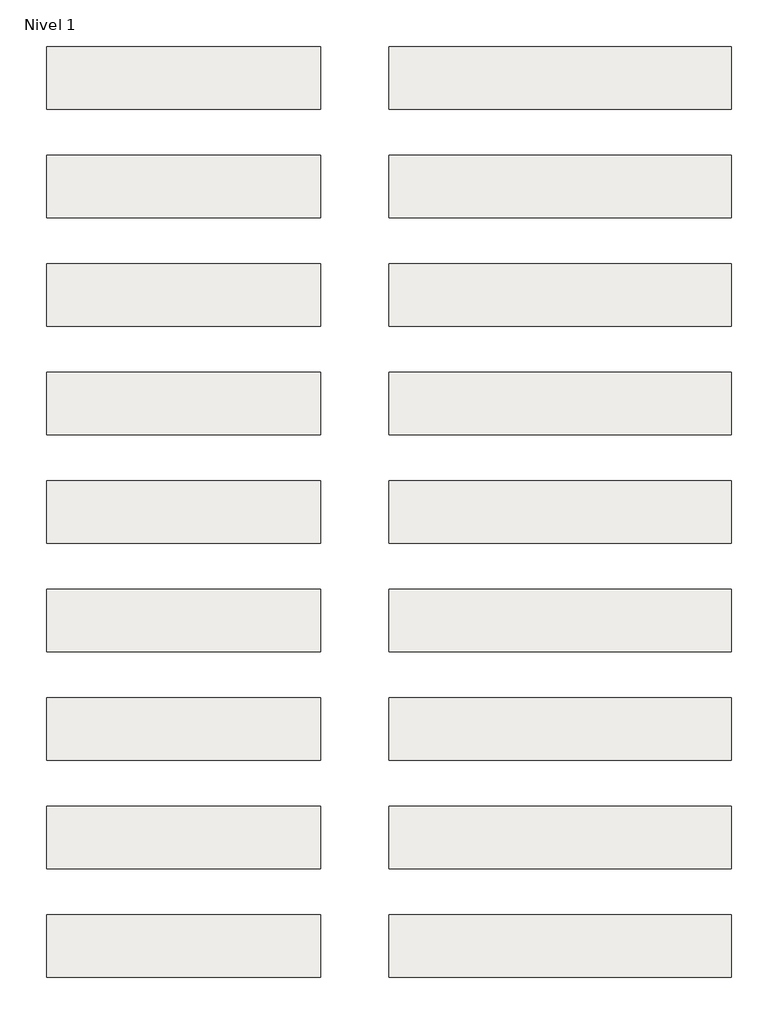
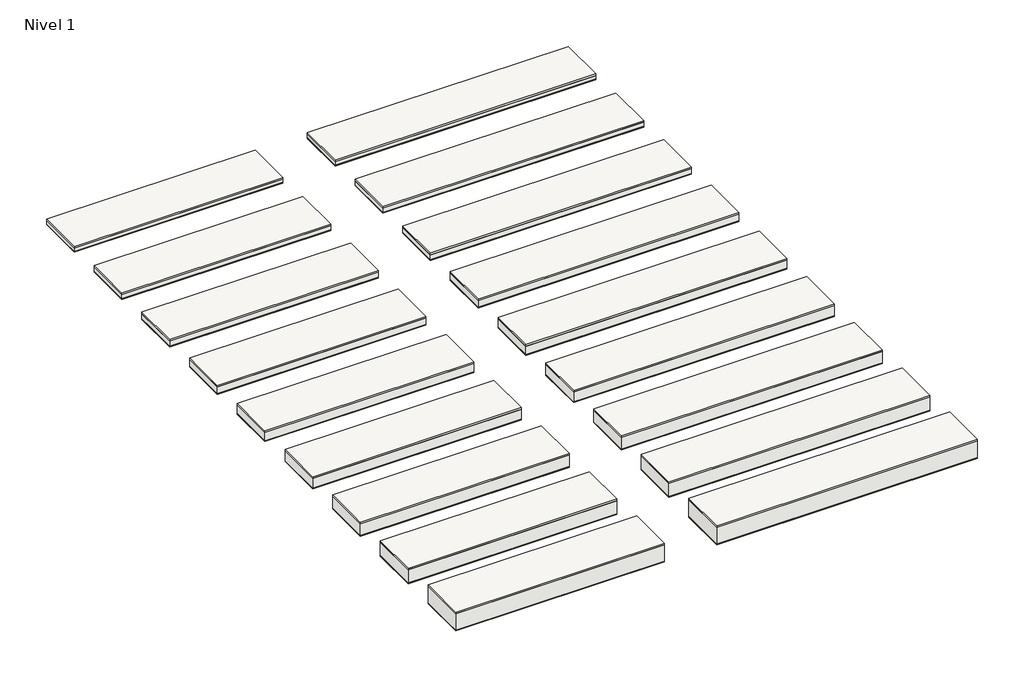
# One storey: 18 roofs.
"""IFC4 building model written with IfcOpenShell, lengths in millimetres."""

from ifc_helpers import new_model, si_unit, frame, origin, origin_with_axes, place, context, project, spatial, polyline, outline, extrude, element, save

model = new_model("IFC4")

# Units and contexts
model_context = context("Model", 3, world=origin())
ifc_project = project(units=[si_unit("LENGTHUNIT", "METRE", prefix="MILLI")], contexts=[model_context])

# Site, building, storey
site = spatial("IfcSite", under=ifc_project)
building = spatial("IfcBuilding", under=site)
storey = spatial("IfcBuildingStorey", under=building, Name="Nivel 1", Elevation=0.0)

# Roofs
placement = place(None, origin())
element("IfcRoof", 1, at=placement, inside=storey, context=model_context, shape_type="SweptSolid", body=[
    extrude(outline(polyline([(-3824.6699095, -6894.5376473), (-1424.6699095, -6894.5376473), (-1424.6699095, -7444.5376473), (-3824.6699095, -7444.5376473), (-3824.6699095, -6894.5376473)])), frame((0.0, 0.0, 60.0), z_axis=(0.0, 0.0, 1.0), x_axis=(1.0, 0.0, 0.0)), (0.0, 0.0, 1.0), 19.0),
    extrude(outline(polyline([(-3824.6699095, -6894.5376473), (-1424.6699095, -6894.5376473), (-1424.6699095, -7444.5376473), (-3824.6699095, -7444.5376473), (-3824.6699095, -6894.5376473)])), frame((0.0, 0.0, 10.0), z_axis=(0.0, 0.0, 1.0), x_axis=(1.0, 0.0, 0.0)), (0.0, 0.0, 1.0), 50.0),
    extrude(outline(polyline([(-3824.6699095, -6894.5376473), (-1424.6699095, -6894.5376473), (-1424.6699095, -7444.5376473), (-3824.6699095, -7444.5376473), (-3824.6699095, -6894.5376473)])), origin_with_axes(), (0.0, 0.0, 1.0), 10.0),
])
element("IfcRoof", 2, at=placement, inside=storey, context=model_context, shape_type="SweptSolid", body=[
    extrude(outline(polyline([(-3824.6699095, -5944.5376473), (-1424.6699095, -5944.5376473), (-1424.6699095, -6494.5376473), (-3824.6699095, -6494.5376473), (-3824.6699095, -5944.5376473)])), frame((0.0, 0.0, 50.0), z_axis=(0.0, 0.0, 1.0), x_axis=(1.0, 0.0, 0.0)), (0.0, 0.0, 1.0), 19.0),
    extrude(outline(polyline([(-3824.6699095, -5944.5376473), (-1424.6699095, -5944.5376473), (-1424.6699095, -6494.5376473), (-3824.6699095, -6494.5376473), (-3824.6699095, -5944.5376473)])), frame((0.0, 0.0, 10.0), z_axis=(0.0, 0.0, 1.0), x_axis=(1.0, 0.0, 0.0)), (0.0, 0.0, 1.0), 40.0),
    extrude(outline(polyline([(-3824.6699095, -5944.5376473), (-1424.6699095, -5944.5376473), (-1424.6699095, -6494.5376473), (-3824.6699095, -6494.5376473), (-3824.6699095, -5944.5376473)])), origin_with_axes(), (0.0, 0.0, 1.0), 10.0),
])
element("IfcRoof", 3, at=placement, inside=storey, context=model_context, shape_type="SweptSolid", body=[
    extrude(outline(polyline([(-3824.6699095, -7844.5376473), (-1424.6699095, -7844.5376473), (-1424.6699095, -8394.5376473), (-3824.6699095, -8394.5376473), (-3824.6699095, -7844.5376473)])), frame((0.0, 0.0, 70.0), z_axis=(0.0, 0.0, 1.0), x_axis=(1.0, 0.0, 0.0)), (0.0, 0.0, 1.0), 19.0),
    extrude(outline(polyline([(-3824.6699095, -7844.5376473), (-1424.6699095, -7844.5376473), (-1424.6699095, -8394.5376473), (-3824.6699095, -8394.5376473), (-3824.6699095, -7844.5376473)])), frame((0.0, 0.0, 10.0), z_axis=(0.0, 0.0, 1.0), x_axis=(1.0, 0.0, 0.0)), (0.0, 0.0, 1.0), 60.0),
    extrude(outline(polyline([(-3824.6699095, -7844.5376473), (-1424.6699095, -7844.5376473), (-1424.6699095, -8394.5376473), (-3824.6699095, -8394.5376473), (-3824.6699095, -7844.5376473)])), origin_with_axes(), (0.0, 0.0, 1.0), 10.0),
])
element("IfcRoof", 4, at=placement, inside=storey, context=model_context, shape_type="SweptSolid", body=[
    extrude(outline(polyline([(-3824.6699095, -8794.5376473), (-1424.6699095, -8794.5376473), (-1424.6699095, -9344.5376473), (-3824.6699095, -9344.5376473), (-3824.6699095, -8794.5376473)])), frame((0.0, 0.0, 90.0), z_axis=(0.0, 0.0, 1.0), x_axis=(1.0, 0.0, 0.0)), (0.0, 0.0, 1.0), 19.0),
    extrude(outline(polyline([(-3824.6699095, -8794.5376473), (-1424.6699095, -8794.5376473), (-1424.6699095, -9344.5376473), (-3824.6699095, -9344.5376473), (-3824.6699095, -8794.5376473)])), frame((0.0, 0.0, 10.0), z_axis=(0.0, 0.0, 1.0), x_axis=(1.0, 0.0, 0.0)), (0.0, 0.0, 1.0), 80.0),
    extrude(outline(polyline([(-3824.6699095, -8794.5376473), (-1424.6699095, -8794.5376473), (-1424.6699095, -9344.5376473), (-3824.6699095, -9344.5376473), (-3824.6699095, -8794.5376473)])), origin_with_axes(), (0.0, 0.0, 1.0), 10.0),
])
element("IfcRoof", 5, at=placement, inside=storey, context=model_context, shape_type="SweptSolid", body=[
    extrude(outline(polyline([(-3824.6699095, -9744.5376473), (-1424.6699095, -9744.5376473), (-1424.6699095, -10294.5376473), (-3824.6699095, -10294.5376473), (-3824.6699095, -9744.5376473)])), frame((0.0, 0.0, 110.0), z_axis=(0.0, 0.0, 1.0), x_axis=(1.0, 0.0, 0.0)), (0.0, 0.0, 1.0), 19.0),
    extrude(outline(polyline([(-3824.6699095, -9744.5376473), (-1424.6699095, -9744.5376473), (-1424.6699095, -10294.5376473), (-3824.6699095, -10294.5376473), (-3824.6699095, -9744.5376473)])), frame((0.0, 0.0, 10.0), z_axis=(0.0, 0.0, 1.0), x_axis=(1.0, 0.0, 0.0)), (0.0, 0.0, 1.0), 100.0),
    extrude(outline(polyline([(-3824.6699095, -9744.5376473), (-1424.6699095, -9744.5376473), (-1424.6699095, -10294.5376473), (-3824.6699095, -10294.5376473), (-3824.6699095, -9744.5376473)])), origin_with_axes(), (0.0, 0.0, 1.0), 10.0),
])
element("IfcRoof", 6, at=placement, inside=storey, context=model_context, shape_type="SweptSolid", body=[
    extrude(outline(polyline([(-3824.6699095, -10694.5376473), (-1424.6699095, -10694.5376473), (-1424.6699095, -11244.5376473), (-3824.6699095, -11244.5376473), (-3824.6699095, -10694.5376473)])), frame((0.0, 0.0, 130.0), z_axis=(0.0, 0.0, 1.0), x_axis=(1.0, 0.0, 0.0)), (0.0, 0.0, 1.0), 19.0),
    extrude(outline(polyline([(-3824.6699095, -10694.5376473), (-1424.6699095, -10694.5376473), (-1424.6699095, -11244.5376473), (-3824.6699095, -11244.5376473), (-3824.6699095, -10694.5376473)])), frame((0.0, 0.0, 10.0), z_axis=(0.0, 0.0, 1.0), x_axis=(1.0, 0.0, 0.0)), (0.0, 0.0, 1.0), 120.0),
    extrude(outline(polyline([(-3824.6699095, -10694.5376473), (-1424.6699095, -10694.5376473), (-1424.6699095, -11244.5376473), (-3824.6699095, -11244.5376473), (-3824.6699095, -10694.5376473)])), origin_with_axes(), (0.0, 0.0, 1.0), 10.0),
])
element("IfcRoof", 7, at=placement, inside=storey, context=model_context, shape_type="SweptSolid", body=[
    extrude(outline(polyline([(-3824.6699095, -11644.5376473), (-1424.6699095, -11644.5376473), (-1424.6699095, -12194.5376473), (-3824.6699095, -12194.5376473), (-3824.6699095, -11644.5376473)])), frame((0.0, 0.0, 150.0), z_axis=(0.0, 0.0, 1.0), x_axis=(1.0, 0.0, 0.0)), (0.0, 0.0, 1.0), 19.0),
    extrude(outline(polyline([(-3824.6699095, -11644.5376473), (-1424.6699095, -11644.5376473), (-1424.6699095, -12194.5376473), (-3824.6699095, -12194.5376473), (-3824.6699095, -11644.5376473)])), frame((0.0, 0.0, 10.0), z_axis=(0.0, 0.0, 1.0), x_axis=(1.0, 0.0, 0.0)), (0.0, 0.0, 1.0), 140.0),
    extrude(outline(polyline([(-3824.6699095, -11644.5376473), (-1424.6699095, -11644.5376473), (-1424.6699095, -12194.5376473), (-3824.6699095, -12194.5376473), (-3824.6699095, -11644.5376473)])), origin_with_axes(), (0.0, 0.0, 1.0), 10.0),
])
element("IfcRoof", 8, at=placement, inside=storey, context=model_context, shape_type="SweptSolid", body=[
    extrude(outline(polyline([(-3824.6699095, -12594.5376473), (-1424.6699095, -12594.5376473), (-1424.6699095, -13144.5376473), (-3824.6699095, -13144.5376473), (-3824.6699095, -12594.5376473)])), frame((0.0, 0.0, 170.0), z_axis=(0.0, 0.0, 1.0), x_axis=(1.0, 0.0, 0.0)), (0.0, 0.0, 1.0), 19.0),
    extrude(outline(polyline([(-3824.6699095, -12594.5376473), (-1424.6699095, -12594.5376473), (-1424.6699095, -13144.5376473), (-3824.6699095, -13144.5376473), (-3824.6699095, -12594.5376473)])), frame((0.0, 0.0, 10.0), z_axis=(0.0, 0.0, 1.0), x_axis=(1.0, 0.0, 0.0)), (0.0, 0.0, 1.0), 160.0),
    extrude(outline(polyline([(-3824.6699095, -12594.5376473), (-1424.6699095, -12594.5376473), (-1424.6699095, -13144.5376473), (-3824.6699095, -13144.5376473), (-3824.6699095, -12594.5376473)])), origin_with_axes(), (0.0, 0.0, 1.0), 10.0),
])
element("IfcRoof", 9, at=placement, inside=storey, context=model_context, shape_type="SweptSolid", body=[
    extrude(outline(polyline([(-3824.6699095, -13544.5376473), (-1424.6699095, -13544.5376473), (-1424.6699095, -14094.5376473), (-3824.6699095, -14094.5376473), (-3824.6699095, -13544.5376473)])), frame((0.0, 0.0, 210.0), z_axis=(0.0, 0.0, 1.0), x_axis=(1.0, 0.0, 0.0)), (0.0, 0.0, 1.0), 19.0),
    extrude(outline(polyline([(-3824.6699095, -13544.5376473), (-1424.6699095, -13544.5376473), (-1424.6699095, -14094.5376473), (-3824.6699095, -14094.5376473), (-3824.6699095, -13544.5376473)])), frame((0.0, 0.0, 10.0), z_axis=(0.0, 0.0, 1.0), x_axis=(1.0, 0.0, 0.0)), (0.0, 0.0, 1.0), 200.0),
    extrude(outline(polyline([(-3824.6699095, -13544.5376473), (-1424.6699095, -13544.5376473), (-1424.6699095, -14094.5376473), (-3824.6699095, -14094.5376473), (-3824.6699095, -13544.5376473)])), origin_with_axes(), (0.0, 0.0, 1.0), 10.0),
])
element("IfcRoof", 10, at=placement, inside=storey, context=model_context, shape_type="SweptSolid", body=[
    extrude(outline(polyline([(-824.6699095, -6894.5376473), (2175.3300905, -6894.5376473), (2175.3300905, -7444.5376473), (-824.6699095, -7444.5376473), (-824.6699095, -6894.5376473)])), frame((0.0, 0.0, 60.0), z_axis=(0.0, 0.0, 1.0), x_axis=(1.0, 0.0, 0.0)), (0.0, 0.0, 1.0), 19.0),
    extrude(outline(polyline([(-824.6699095, -6894.5376473), (2175.3300905, -6894.5376473), (2175.3300905, -7444.5376473), (-824.6699095, -7444.5376473), (-824.6699095, -6894.5376473)])), frame((0.0, 0.0, 10.0), z_axis=(0.0, 0.0, 1.0), x_axis=(1.0, 0.0, 0.0)), (0.0, 0.0, 1.0), 50.0),
    extrude(outline(polyline([(-824.6699095, -6894.5376473), (2175.3300905, -6894.5376473), (2175.3300905, -7444.5376473), (-824.6699095, -7444.5376473), (-824.6699095, -6894.5376473)])), origin_with_axes(), (0.0, 0.0, 1.0), 10.0),
])
element("IfcRoof", 11, at=placement, inside=storey, context=model_context, shape_type="SweptSolid", body=[
    extrude(outline(polyline([(-824.6699095, -5944.5376473), (2175.3300905, -5944.5376473), (2175.3300905, -6494.5376473), (-824.6699095, -6494.5376473), (-824.6699095, -5944.5376473)])), frame((0.0, 0.0, 50.0), z_axis=(0.0, 0.0, 1.0), x_axis=(1.0, 0.0, 0.0)), (0.0, 0.0, 1.0), 19.0),
    extrude(outline(polyline([(-824.6699095, -5944.5376473), (2175.3300905, -5944.5376473), (2175.3300905, -6494.5376473), (-824.6699095, -6494.5376473), (-824.6699095, -5944.5376473)])), frame((0.0, 0.0, 10.0), z_axis=(0.0, 0.0, 1.0), x_axis=(1.0, 0.0, 0.0)), (0.0, 0.0, 1.0), 40.0),
    extrude(outline(polyline([(-824.6699095, -5944.5376473), (2175.3300905, -5944.5376473), (2175.3300905, -6494.5376473), (-824.6699095, -6494.5376473), (-824.6699095, -5944.5376473)])), origin_with_axes(), (0.0, 0.0, 1.0), 10.0),
])
element("IfcRoof", 12, at=placement, inside=storey, context=model_context, shape_type="SweptSolid", body=[
    extrude(outline(polyline([(-824.6699095, -7844.5376473), (2175.3300905, -7844.5376473), (2175.3300905, -8394.5376473), (-824.6699095, -8394.5376473), (-824.6699095, -7844.5376473)])), frame((0.0, 0.0, 70.0), z_axis=(0.0, 0.0, 1.0), x_axis=(1.0, 0.0, 0.0)), (0.0, 0.0, 1.0), 19.0),
    extrude(outline(polyline([(-824.6699095, -7844.5376473), (2175.3300905, -7844.5376473), (2175.3300905, -8394.5376473), (-824.6699095, -8394.5376473), (-824.6699095, -7844.5376473)])), frame((0.0, 0.0, 10.0), z_axis=(0.0, 0.0, 1.0), x_axis=(1.0, 0.0, 0.0)), (0.0, 0.0, 1.0), 60.0),
    extrude(outline(polyline([(-824.6699095, -7844.5376473), (2175.3300905, -7844.5376473), (2175.3300905, -8394.5376473), (-824.6699095, -8394.5376473), (-824.6699095, -7844.5376473)])), origin_with_axes(), (0.0, 0.0, 1.0), 10.0),
])
element("IfcRoof", 13, at=placement, inside=storey, context=model_context, shape_type="SweptSolid", body=[
    extrude(outline(polyline([(-824.6699095, -8794.5376473), (2175.3300905, -8794.5376473), (2175.3300905, -9344.5376473), (-824.6699095, -9344.5376473), (-824.6699095, -8794.5376473)])), frame((0.0, 0.0, 90.0), z_axis=(0.0, 0.0, 1.0), x_axis=(1.0, 0.0, 0.0)), (0.0, 0.0, 1.0), 19.0),
    extrude(outline(polyline([(-824.6699095, -8794.5376473), (2175.3300905, -8794.5376473), (2175.3300905, -9344.5376473), (-824.6699095, -9344.5376473), (-824.6699095, -8794.5376473)])), frame((0.0, 0.0, 10.0), z_axis=(0.0, 0.0, 1.0), x_axis=(1.0, 0.0, 0.0)), (0.0, 0.0, 1.0), 80.0),
    extrude(outline(polyline([(-824.6699095, -8794.5376473), (2175.3300905, -8794.5376473), (2175.3300905, -9344.5376473), (-824.6699095, -9344.5376473), (-824.6699095, -8794.5376473)])), origin_with_axes(), (0.0, 0.0, 1.0), 10.0),
])
element("IfcRoof", 14, at=placement, inside=storey, context=model_context, shape_type="SweptSolid", body=[
    extrude(outline(polyline([(-824.6699095, -9744.5376473), (2175.3300905, -9744.5376473), (2175.3300905, -10294.5376473), (-824.6699095, -10294.5376473), (-824.6699095, -9744.5376473)])), frame((0.0, 0.0, 110.0), z_axis=(0.0, 0.0, 1.0), x_axis=(1.0, 0.0, 0.0)), (0.0, 0.0, 1.0), 19.0),
    extrude(outline(polyline([(-824.6699095, -9744.5376473), (2175.3300905, -9744.5376473), (2175.3300905, -10294.5376473), (-824.6699095, -10294.5376473), (-824.6699095, -9744.5376473)])), frame((0.0, 0.0, 10.0), z_axis=(0.0, 0.0, 1.0), x_axis=(1.0, 0.0, 0.0)), (0.0, 0.0, 1.0), 100.0),
    extrude(outline(polyline([(-824.6699095, -9744.5376473), (2175.3300905, -9744.5376473), (2175.3300905, -10294.5376473), (-824.6699095, -10294.5376473), (-824.6699095, -9744.5376473)])), origin_with_axes(), (0.0, 0.0, 1.0), 10.0),
])
element("IfcRoof", 15, at=placement, inside=storey, context=model_context, shape_type="SweptSolid", body=[
    extrude(outline(polyline([(-824.6699095, -10694.5376473), (2175.3300905, -10694.5376473), (2175.3300905, -11244.5376473), (-824.6699095, -11244.5376473), (-824.6699095, -10694.5376473)])), frame((0.0, 0.0, 130.0), z_axis=(0.0, 0.0, 1.0), x_axis=(1.0, 0.0, 0.0)), (0.0, 0.0, 1.0), 19.0),
    extrude(outline(polyline([(-824.6699095, -10694.5376473), (2175.3300905, -10694.5376473), (2175.3300905, -11244.5376473), (-824.6699095, -11244.5376473), (-824.6699095, -10694.5376473)])), frame((0.0, 0.0, 10.0), z_axis=(0.0, 0.0, 1.0), x_axis=(1.0, 0.0, 0.0)), (0.0, 0.0, 1.0), 120.0),
    extrude(outline(polyline([(-824.6699095, -10694.5376473), (2175.3300905, -10694.5376473), (2175.3300905, -11244.5376473), (-824.6699095, -11244.5376473), (-824.6699095, -10694.5376473)])), origin_with_axes(), (0.0, 0.0, 1.0), 10.0),
])
element("IfcRoof", 16, at=placement, inside=storey, context=model_context, shape_type="SweptSolid", body=[
    extrude(outline(polyline([(-824.6699095, -11644.5376473), (2175.3300905, -11644.5376473), (2175.3300905, -12194.5376473), (-824.6699095, -12194.5376473), (-824.6699095, -11644.5376473)])), frame((0.0, 0.0, 150.0), z_axis=(0.0, 0.0, 1.0), x_axis=(1.0, 0.0, 0.0)), (0.0, 0.0, 1.0), 19.0),
    extrude(outline(polyline([(-824.6699095, -11644.5376473), (2175.3300905, -11644.5376473), (2175.3300905, -12194.5376473), (-824.6699095, -12194.5376473), (-824.6699095, -11644.5376473)])), frame((0.0, 0.0, 10.0), z_axis=(0.0, 0.0, 1.0), x_axis=(1.0, 0.0, 0.0)), (0.0, 0.0, 1.0), 140.0),
    extrude(outline(polyline([(-824.6699095, -11644.5376473), (2175.3300905, -11644.5376473), (2175.3300905, -12194.5376473), (-824.6699095, -12194.5376473), (-824.6699095, -11644.5376473)])), origin_with_axes(), (0.0, 0.0, 1.0), 10.0),
])
element("IfcRoof", 17, at=placement, inside=storey, context=model_context, shape_type="SweptSolid", body=[
    extrude(outline(polyline([(-824.6699095, -12594.5376473), (2175.3300905, -12594.5376473), (2175.3300905, -13144.5376473), (-824.6699095, -13144.5376473), (-824.6699095, -12594.5376473)])), frame((0.0, 0.0, 170.0), z_axis=(0.0, 0.0, 1.0), x_axis=(1.0, 0.0, 0.0)), (0.0, 0.0, 1.0), 19.0),
    extrude(outline(polyline([(-824.6699095, -12594.5376473), (2175.3300905, -12594.5376473), (2175.3300905, -13144.5376473), (-824.6699095, -13144.5376473), (-824.6699095, -12594.5376473)])), frame((0.0, 0.0, 10.0), z_axis=(0.0, 0.0, 1.0), x_axis=(1.0, 0.0, 0.0)), (0.0, 0.0, 1.0), 160.0),
    extrude(outline(polyline([(-824.6699095, -12594.5376473), (2175.3300905, -12594.5376473), (2175.3300905, -13144.5376473), (-824.6699095, -13144.5376473), (-824.6699095, -12594.5376473)])), origin_with_axes(), (0.0, 0.0, 1.0), 10.0),
])
element("IfcRoof", 18, at=placement, inside=storey, context=model_context, shape_type="SweptSolid", body=[
    extrude(outline(polyline([(-824.6699095, -13544.5376473), (2175.3300905, -13544.5376473), (2175.3300905, -14094.5376473), (-824.6699095, -14094.5376473), (-824.6699095, -13544.5376473)])), frame((0.0, 0.0, 210.0), z_axis=(0.0, 0.0, 1.0), x_axis=(1.0, 0.0, 0.0)), (0.0, 0.0, 1.0), 19.0),
    extrude(outline(polyline([(-824.6699095, -13544.5376473), (2175.3300905, -13544.5376473), (2175.3300905, -14094.5376473), (-824.6699095, -14094.5376473), (-824.6699095, -13544.5376473)])), frame((0.0, 0.0, 10.0), z_axis=(0.0, 0.0, 1.0), x_axis=(1.0, 0.0, 0.0)), (0.0, 0.0, 1.0), 200.0),
    extrude(outline(polyline([(-824.6699095, -13544.5376473), (2175.3300905, -13544.5376473), (2175.3300905, -14094.5376473), (-824.6699095, -14094.5376473), (-824.6699095, -13544.5376473)])), origin_with_axes(), (0.0, 0.0, 1.0), 10.0),
])

save(model, "model.ifc")
